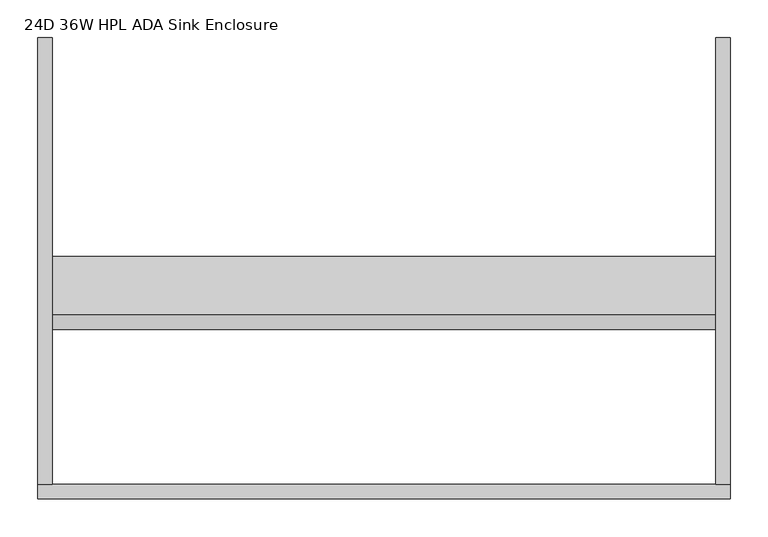
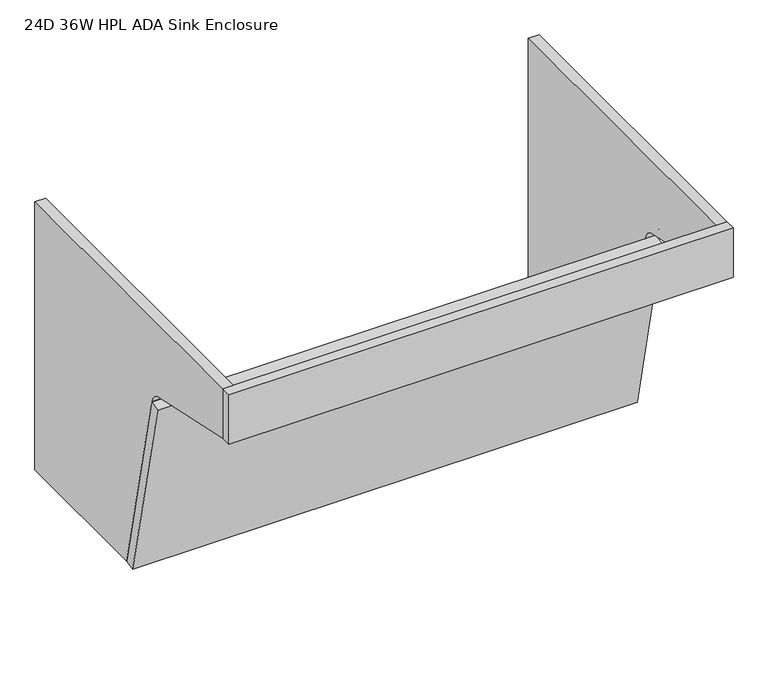
"""IFC4 building model written with IfcOpenShell, lengths in millimetres: furniture geometry, 24D 36W HPL ADA Sink Enclosure."""

from ifc_helpers import new_model, si_unit, point, frame, frame_2d, origin, place, context, project, spatial, polyline, circle_curve, trimmed, segment, composite_curve, outline, extrude, source, transform, mapped, element, save


def furniture_24d_36w_hpl_ada_sink_enclosure_f8f72a4e(model_context):
    return source(origin(), model_context, "Body", "SweptSolid", [
        extrude(outline(composite_curve([segment(polyline([(0.0, 835.01992), (0.0, 321.3354), (-289.0408866, 321.3354), (-366.684736, 673.5964693)]), True, "CONTINUOUS"), segment(trimmed(circle_curve(frame_2d((-396.0238821, 667.4698644)), 29.972), [point((-366.684736, 673.5964693))], [point((-389.7413745, 696.7760222))], True, "CARTESIAN"), True, "CONTINUOUS"), segment(polyline([(-389.7413745, 696.7760222), (-590.296, 739.76992), (-590.296, 835.01992), (0.0, 835.01992)]), True, "CONTINUOUS")], self_intersect=False)), frame((0.0, 0.0, 0.0), z_axis=(1.0, 0.0, 0.0), x_axis=(0.0, 1.0, 0.0)), (0.0, 0.0, 1.0), 19.304),
        extrude(outline(composite_curve([segment(polyline([(0.0, 835.01992), (0.0, 321.3354), (-289.0408866, 321.3354), (-366.684736, 673.5964693)]), True, "CONTINUOUS"), segment(trimmed(circle_curve(frame_2d((-396.0238821, 667.4698644)), 29.972), [point((-366.684736, 673.5964693))], [point((-389.7413745, 696.7760222))], True, "CARTESIAN"), True, "CONTINUOUS"), segment(polyline([(-389.7413745, 696.7760222), (-590.296, 739.76992), (-590.296, 835.01992), (0.0, 835.01992)]), True, "CONTINUOUS")], self_intersect=False)), frame((895.096, 0.0, 0.0), z_axis=(1.0, 0.0, 0.0), x_axis=(0.0, 1.0, 0.0)), (0.0, 0.0, 1.0), 19.304),
        extrude(outline(polyline([(0.0, -590.296), (914.4, -590.296), (914.4, -609.6), (0.0, -609.6), (0.0, -590.296)])), frame((0.0, 0.0, 739.76992), z_axis=(0.0, 0.0, 1.0), x_axis=(1.0, 0.0, 0.0)), (0.0, 0.0, 1.0), 95.25),
        extrude(outline(polyline([(0.0, -19.2230589), (0.0, 0.0), (914.4, 0.0), (914.4, -19.2230589), (0.0, -19.2230589)])), frame((914.4, -307.8133419, 317.1976572), z_axis=(0.0, -0.21524892533858006, 0.9765592148664548), x_axis=(-1.0, 0.0, 0.0)), (0.0, 0.0, 1.0), 360.7165484),
    ])


if __name__ == "__main__":
    model = new_model("IFC4")
    model_context = context("Model", 3, world=origin())
    ifc_project = project(units=[si_unit("LENGTHUNIT", "METRE", prefix="MILLI")], contexts=[model_context])
    site = spatial("IfcSite", under=ifc_project)
    building = spatial("IfcBuilding", under=site)
    placement = place(None, origin())
    furniture_24d_36w_hpl_ada_sink_enclosure_shape = furniture_24d_36w_hpl_ada_sink_enclosure_f8f72a4e(model_context)
    element("IfcFurniture", 1, ObjectType="24D 36W HPL ADA Sink Enclosure", at=placement, inside=building, context=model_context, shape_type="MappedRepresentation", body=[
        mapped(furniture_24d_36w_hpl_ada_sink_enclosure_shape, transform((0.0, 0.0, 0.0), x_axis=(1.0, 0.0, 0.0), y_axis=(0.0, 1.0, 0.0), z_axis=(0.0, 0.0, 1.0))),
    ])
    save(model, "model.ifc")
